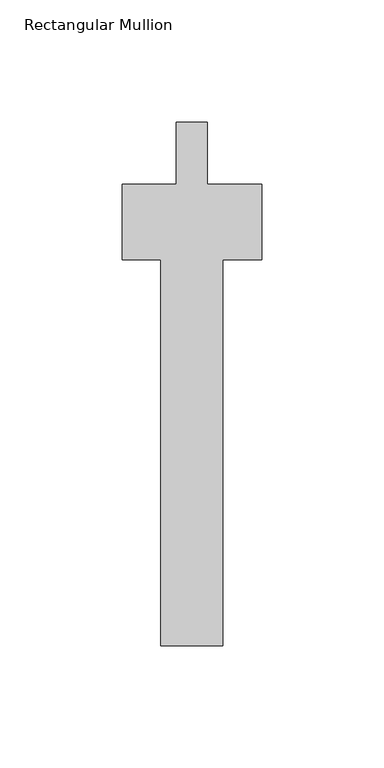
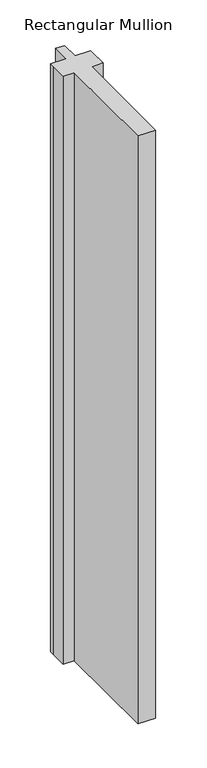
"""IFC4 building model written with IfcOpenShell, lengths in millimetres: member geometry, Rectangular Mullion."""

from ifc_helpers import new_model, si_unit, frame, origin, place, context, project, spatial, polyline, outline, extrude, source, transform, mapped, element, save


def rectangular_mullion_441af3b1(model_context):
    return source(origin(), model_context, "Body", "SweptSolid", [
        extrude(outline(polyline([(6.35, 0.0), (6.35, -25.4), (28.575, -25.4), (28.575, -31.75), (28.575, -56.388), (12.6999999, -56.388), (12.6999999, -214.376), (-12.6999999, -214.376), (-12.6999999, -56.388), (-28.575, -56.388), (-28.575, -31.75), (-28.575, -25.4), (-6.35, -25.4), (-6.35, 0.0), (6.35, 0.0)])), frame((0.0, 0.0, -889.0), z_axis=(0.0, 0.0, 1.0), x_axis=(1.0, 0.0, 0.0)), (0.0, 0.0, 1.0), 889.0),
    ])


if __name__ == "__main__":
    model = new_model("IFC4")
    model_context = context("Model", 3, world=origin())
    ifc_project = project(units=[si_unit("LENGTHUNIT", "METRE", prefix="MILLI")], contexts=[model_context])
    site = spatial("IfcSite", under=ifc_project)
    building = spatial("IfcBuilding", under=site)
    placement = place(None, origin())
    rectangular_mullion_shape = rectangular_mullion_441af3b1(model_context)
    element("IfcMember", 1, ObjectType="Rectangular Mullion", at=placement, inside=building, context=model_context, shape_type="MappedRepresentation", body=[
        mapped(rectangular_mullion_shape, transform((0.0, 0.0, 0.0), x_axis=(1.0, 0.0, 0.0), y_axis=(0.0, 1.0, 0.0), z_axis=(0.0, 0.0, 1.0))),
    ])
    save(model, "model.ifc")
